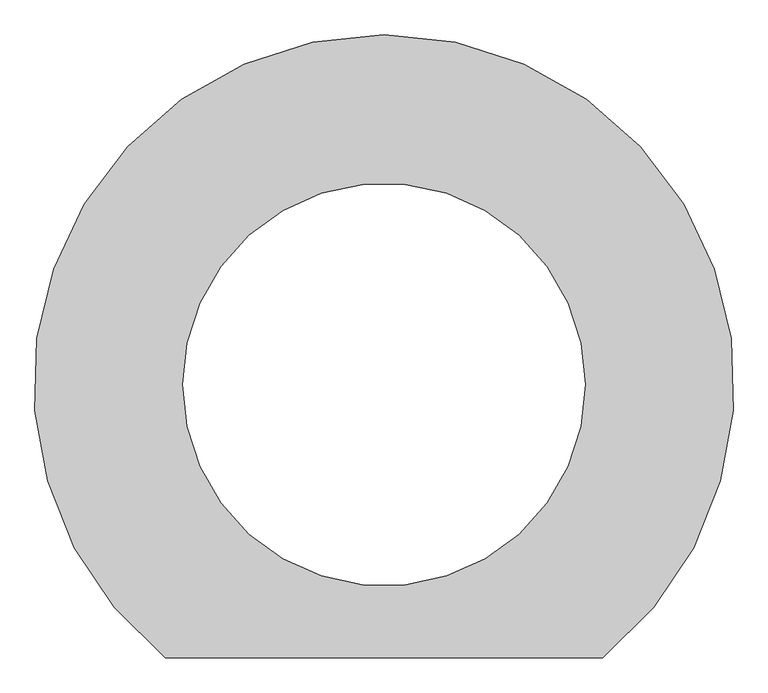
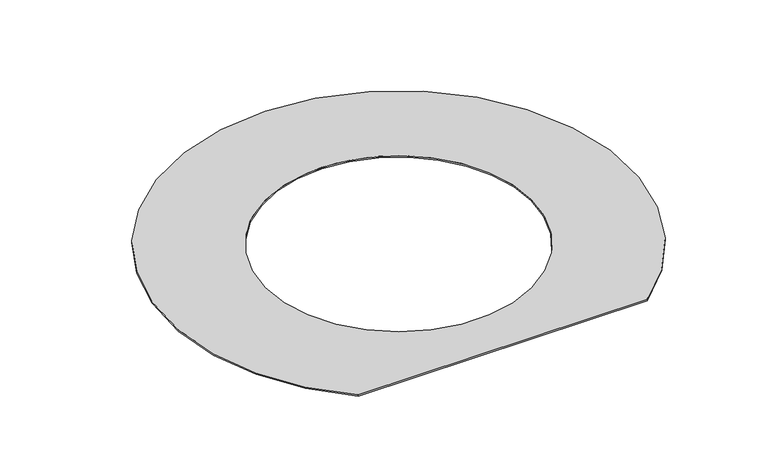
"""IFC4 building model written with IfcOpenShell, lengths in millimetres: proxy geometry."""

from ifc_helpers import new_model, si_unit, point, frame_2d, origin, origin_with_axes, place, context, project, spatial, polyline, circle_curve, trimmed, segment, composite_curve, outline, extrude, source, transform, mapped, element, save


def generic_models_c0163e43(model_context):
    return source(origin(), model_context, "Body", "SweptSolid", [
        extrude(outline(composite_curve([segment(trimmed(circle_curve(frame_2d((147.011279, 134.2904108)), 530.0015585), [point((-184.1394969, -279.522126))], [point((478.1620549, -279.522126))], False, "CARTESIAN"), True, "CONTINUOUS"), segment(polyline([(478.1620549, -279.522126), (-184.1394969, -279.522126)]), True, "CONTINUOUS")], self_intersect=False), holes=[composite_curve([segment(trimmed(circle_curve(frame_2d((147.011279, 134.2904108)), 304.8), [point((-157.788721, 134.2904108))], [point((451.811279, 134.2904108))], True, "CARTESIAN"), True, "CONTINUOUS"), segment(trimmed(circle_curve(frame_2d((147.011279, 134.2904108)), 304.8), [point((451.811279, 134.2904108))], [point((-157.788721, 134.2904108))], True, "CARTESIAN"), True, "CONTINUOUS")], self_intersect=False)]), origin_with_axes(), (0.0, 0.0, 1.0), 3.175),
    ])


if __name__ == "__main__":
    model = new_model("IFC4")
    model_context = context("Model", 3, world=origin())
    ifc_project = project(units=[si_unit("LENGTHUNIT", "METRE", prefix="MILLI")], contexts=[model_context])
    site = spatial("IfcSite", under=ifc_project)
    building = spatial("IfcBuilding", under=site)
    placement = place(None, origin())
    generic_models_shape = generic_models_c0163e43(model_context)
    element("IfcBuildingElementProxy", 1, Name="Generic Models", at=placement, inside=building, context=model_context, shape_type="MappedRepresentation", body=[
        mapped(generic_models_shape, transform((0.0, 0.0, 0.0), x_axis=(1.0, 0.0, 0.0), y_axis=(0.0, 1.0, 0.0), z_axis=(0.0, 0.0, 1.0))),
    ])
    save(model, "model.ifc")
